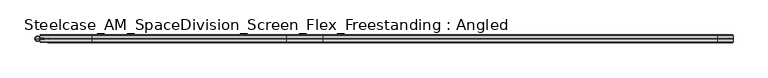
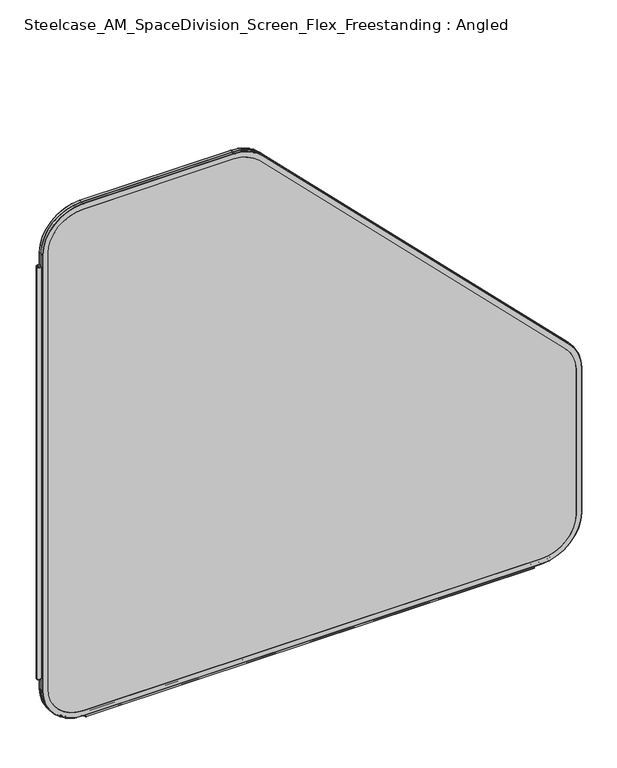
"""IFC4 building model written with IfcOpenShell, lengths in millimetres: furniture geometry, Steelcase_AM_SpaceDivision_Screen_Flex_Freestanding : Angled."""

from ifc_helpers import new_model, si_unit, point, frame, frame_2d, origin, place, context, project, spatial, polyline, circle_curve, ellipse_curve, trimmed, segment, composite_curve, outline, extrude, source, transform, mapped, element, save
from ifc_brep_helpers import plane_surface, cylinder_surface, revolved_surface, advanced_brep


def steelcase_am_spacedivision_screen_flex_freestanding_angled_91cacfda(model_context):
    return source(origin(), model_context, "Body", "SolidModel", [
        advanced_brep(
        [(98.0653521, 5.715, 4.9996464), (9.1653521, 5.715, 93.8996464), (9.9273521, 6.477, 93.8996464), (98.0653521, 6.477, 5.7616464), (98.0653521, 0.8129491, 4.9996464), (9.1653521, 0.8129491, 93.8996464), (98.0653521, -5.715, 4.9996464), (9.1653521, -5.715, 93.8996464), (9.1653521, -0.8129491, 93.8996464), (98.0653521, -0.8129491, 4.9996464), (98.0653521, -6.477, 5.7616464), (9.9273521, -6.477, 93.8996464), (98.0653521, 6.477, 17.6996464), (21.8653521, 6.477, 93.8996464), (21.8653521, -6.477, 93.8996464), (98.0653521, -6.477, 17.6996464), (1104.9, 6.477, 5.7616464), (1104.9, 5.715, 4.9996464), (1104.9, 0.8129491, 4.9996464), (1104.9, -0.8129491, 4.9996464), (1104.9, -5.715, 4.9996464), (1104.9, -6.477, 5.7616464), (1104.9, -6.477, 17.6996464), (1104.9, 6.477, 17.6996464), (1193.8, 5.715, 93.8996464), (1193.038, 6.477, 93.8996464), (1193.8, 0.8129491, 93.8996464), (1193.8, -5.715, 93.8996464), (1193.8, -0.8129491, 93.8996464), (1193.038, -6.477, 93.8996464), (1181.1, 6.477, 93.8996464), (1181.1, -6.477, 93.8996464), (1193.038, 6.477, 430.3749822), (1193.8, 5.715, 430.3749822), (1193.8, 0.8129491, 430.3749822), (1193.8, -0.8129491, 430.3749822), (1193.8, -5.715, 430.3749822), (1193.038, -6.477, 430.3749822), (1181.1, -6.477, 430.3749822), (1181.1, 6.477, 430.3749822), (1167.7617928, 5.715, 493.2367751), (1167.2229775, 6.477, 492.6979597), (1167.7617928, 0.8129491, 493.2367751), (1167.7617928, -5.715, 493.2367751), (1167.7617928, -0.8129491, 493.2367751), (1167.2229775, -6.477, 492.6979597), (1158.7815367, 6.477, 484.2565189), (1158.7815367, -6.477, 484.2565189), (492.6979597, 6.477, 1167.2229775), (493.2367751, 5.715, 1167.7617928), (493.2367751, 0.8129491, 1167.7617928), (493.2367751, -0.8129491, 1167.7617928), (493.2367751, -5.715, 1167.7617928), (492.6979597, -6.477, 1167.2229775), (484.2565189, -6.477, 1158.7815367), (484.2565189, 6.477, 1158.7815367), (430.3749822, 5.715, 1193.8), (430.3749822, 6.477, 1193.038), (430.3749822, 0.8129491, 1193.8), (430.3749822, -5.715, 1193.8), (430.3749822, -0.8129491, 1193.8), (430.3749822, -6.477, 1193.038), (430.3749822, 6.477, 1181.1), (430.3749822, -6.477, 1181.1), (98.0653521, 6.477, 1193.038), (98.0653521, 5.715, 1193.8), (98.0653521, 0.8129491, 1193.8), (98.0653521, -0.8129491, 1193.8), (98.0653521, -5.715, 1193.8), (98.0653521, -6.477, 1193.038), (98.0653521, -6.477, 1181.1), (98.0653521, 6.477, 1181.1), (9.1653521, 5.715, 1104.9), (9.9273521, 6.477, 1104.9), (9.1653521, 0.8129491, 1104.9), (9.1653521, -5.715, 1104.9), (9.1653521, -0.8129491, 1104.9), (9.9273521, -6.477, 1104.9), (21.8653521, 6.477, 1104.9), (21.8653521, -6.477, 1104.9), (98.0653521, 0.0, 5.5902885), (9.7559942, 0.0, 93.8996464), (1104.9, 0.0, 5.5902885), (1193.2093579, 0.0, 93.8996464), (1193.2093579, 0.0, 430.3749822), (1167.3441458, 0.0, 492.819128), (492.819128, 0.0, 1167.3441458), (430.3749822, 0.0, 1193.2093579), (98.0653521, 0.0, 1193.2093579), (9.7559942, 0.0, 1104.9)],
        [
            (0, 1, circle_curve(frame((98.0653521, 5.715, 93.8996464), z_axis=(0.0, 1.0, 0.0), x_axis=(-1.0, 0.0, 0.0)), 88.9)),
            (1, 2, circle_curve(frame((9.9273521, 5.715, 93.8996464), z_axis=(0.0, 0.0, -1.0), x_axis=(0.0, -1.0, 0.0)), 0.762)),
            (2, 3, circle_curve(frame((98.0653521, 6.477, 93.8996464), z_axis=(0.0, -1.0, 0.0), x_axis=(-1.0, 0.0, 0.0)), 88.138)),
            (3, 0, circle_curve(frame((98.0653521, 5.715, 5.7616464), z_axis=(-1.0, 0.0, 0.0), x_axis=(0.0, -1.0, 0.0)), 0.762)),
            (4, 5, circle_curve(frame((98.0653521, 0.8129491, 93.8996464), z_axis=(0.0, 1.0, 0.0), x_axis=(-1.0, 0.0, 0.0)), 88.9)),
            (5, 1),
            (0, 4),
            (6, 7, circle_curve(frame((98.0653521, -5.715, 93.8996464), z_axis=(0.0, 1.0, 0.0), x_axis=(-1.0, 0.0, 0.0)), 88.9)),
            (7, 8),
            (8, 9, circle_curve(frame((98.0653521, -0.8129491, 93.8996464), z_axis=(0.0, -1.0, 0.0), x_axis=(-1.0, 0.0, 0.0)), 88.9)),
            (9, 6),
            (10, 11, circle_curve(frame((98.0653521, -6.477, 93.8996464), z_axis=(0.0, 1.0, 0.0), x_axis=(-1.0, 0.0, 0.0)), 88.138)),
            (11, 7, circle_curve(frame((9.9273521, -5.715, 93.8996464), z_axis=(0.0, 0.0, -1.0), x_axis=(0.0, -1.0, 0.0)), 0.762)),
            (6, 10, circle_curve(frame((98.0653521, -5.715, 5.7616464), z_axis=(-1.0, 0.0, 0.0), x_axis=(0.0, -1.0, 0.0)), 0.762)),
            (12, 13, circle_curve(frame((98.0653521, 6.477, 93.8996464), z_axis=(0.0, 1.0, 0.0), x_axis=(-1.0, 0.0, 0.0)), 76.2)),
            (13, 14),
            (14, 15, circle_curve(frame((98.0653521, -6.477, 93.8996464), z_axis=(0.0, -1.0, 0.0), x_axis=(-1.0, 0.0, 0.0)), 76.2)),
            (15, 12),
            (3, 16),
            (16, 17, circle_curve(frame((1104.9, 5.715, 5.7616464), z_axis=(-1.0, 0.0, 0.0), x_axis=(0.0, -1.0, 0.0)), 0.762)),
            (17, 0),
            (17, 18),
            (18, 4),
            (9, 19),
            (19, 20),
            (20, 6),
            (20, 21, circle_curve(frame((1104.9, -5.715, 5.7616464), z_axis=(-1.0, 0.0, 0.0), x_axis=(0.0, -1.0, 0.0)), 0.762)),
            (21, 10),
            (15, 22),
            (22, 23),
            (23, 12),
            (24, 17, circle_curve(frame((1104.9, 5.715, 93.8996464), z_axis=(0.0, 1.0, 0.0), x_axis=(0.0, 0.0, -1.0)), 88.9)),
            (16, 25, circle_curve(frame((1104.9, 6.477, 93.8996464), z_axis=(0.0, -1.0, 0.0), x_axis=(0.0, 0.0, -1.0)), 88.138)),
            (25, 24, circle_curve(frame((1193.038, 5.715, 93.8996464), z_axis=(0.0, 0.0, -1.0), x_axis=(0.0, -1.0, 0.0)), 0.762)),
            (26, 18, circle_curve(frame((1104.9, 0.8129491, 93.8996464), z_axis=(0.0, 1.0, 0.0), x_axis=(0.0, 0.0, -1.0)), 88.9)),
            (24, 26),
            (27, 20, circle_curve(frame((1104.9, -5.715, 93.8996464), z_axis=(0.0, 1.0, 0.0), x_axis=(0.0, 0.0, -1.0)), 88.9)),
            (19, 28, circle_curve(frame((1104.9, -0.8129491, 93.8996464), z_axis=(0.0, -1.0, 0.0), x_axis=(0.0, 0.0, -1.0)), 88.9)),
            (28, 27),
            (29, 21, circle_curve(frame((1104.9, -6.477, 93.8996464), z_axis=(0.0, 1.0, 0.0), x_axis=(0.0, 0.0, -1.0)), 88.138)),
            (27, 29, circle_curve(frame((1193.038, -5.715, 93.8996464), z_axis=(0.0, 0.0, -1.0), x_axis=(0.0, -1.0, 0.0)), 0.762)),
            (30, 23, circle_curve(frame((1104.9, 6.477, 93.8996464), z_axis=(0.0, 1.0, 0.0), x_axis=(0.0, 0.0, -1.0)), 76.2)),
            (22, 31, circle_curve(frame((1104.9, -6.477, 93.8996464), z_axis=(0.0, -1.0, 0.0), x_axis=(0.0, 0.0, -1.0)), 76.2)),
            (31, 30),
            (25, 32),
            (32, 33, circle_curve(frame((1193.038, 5.715, 430.3749822), z_axis=(0.0, 0.0, -1.0), x_axis=(0.0, -1.0, 0.0)), 0.762)),
            (33, 24),
            (33, 34),
            (34, 26),
            (28, 35),
            (35, 36),
            (36, 27),
            (36, 37, circle_curve(frame((1193.038, -5.715, 430.3749822), z_axis=(0.0, 0.0, -1.0), x_axis=(0.0, -1.0, 0.0)), 0.762)),
            (37, 29),
            (31, 38),
            (38, 39),
            (39, 30),
            (40, 33, circle_curve(frame((1104.9, 5.715, 430.3749822), z_axis=(0.0, 1.0, 0.0), x_axis=(1.0, 0.0, 0.0)), 88.9)),
            (32, 41, circle_curve(frame((1104.9, 6.477, 430.3749822), z_axis=(0.0, -1.0, 0.0), x_axis=(1.0, 0.0, 0.0)), 88.138)),
            (41, 40, circle_curve(frame((1167.2229775, 5.715, 492.6979597), z_axis=(0.7071067811865454, 0.0, -0.7071067811865497), x_axis=(0.0, -1.0, 0.0)), 0.762)),
            (42, 34, circle_curve(frame((1104.9, 0.8129491, 430.3749822), z_axis=(0.0, 1.0, 0.0), x_axis=(1.0, 0.0, 0.0)), 88.9)),
            (40, 42),
            (43, 36, circle_curve(frame((1104.9, -5.715, 430.3749822), z_axis=(0.0, 1.0, 0.0), x_axis=(1.0, 0.0, 0.0)), 88.9)),
            (35, 44, circle_curve(frame((1104.9, -0.8129491, 430.3749822), z_axis=(0.0, -1.0, 0.0), x_axis=(1.0, 0.0, 0.0)), 88.9)),
            (44, 43),
            (45, 37, circle_curve(frame((1104.9, -6.477, 430.3749822), z_axis=(0.0, 1.0, 0.0), x_axis=(1.0, 0.0, 0.0)), 88.138)),
            (43, 45, circle_curve(frame((1167.2229775, -5.715, 492.6979597), z_axis=(0.7071067811865454, 0.0, -0.7071067811865497), x_axis=(0.0, -1.0, 0.0)), 0.762)),
            (46, 39, circle_curve(frame((1104.9, 6.477, 430.3749822), z_axis=(0.0, 1.0, 0.0), x_axis=(1.0, 0.0, 0.0)), 76.2)),
            (38, 47, circle_curve(frame((1104.9, -6.477, 430.3749822), z_axis=(0.0, -1.0, 0.0), x_axis=(1.0, 0.0, 0.0)), 76.2)),
            (47, 46),
            (41, 48),
            (48, 49, circle_curve(frame((492.6979597, 5.715, 1167.2229775), z_axis=(0.7071067811865461, 0.0, -0.7071067811865489), x_axis=(0.0, -1.0, 0.0)), 0.762)),
            (49, 40),
            (49, 50),
            (50, 42),
            (44, 51),
            (51, 52),
            (52, 43),
            (52, 53, circle_curve(frame((492.6979597, -5.715, 1167.2229775), z_axis=(0.7071067811865461, 0.0, -0.7071067811865489), x_axis=(0.0, -1.0, 0.0)), 0.762)),
            (53, 45),
            (47, 54),
            (54, 55),
            (55, 46),
            (56, 49, circle_curve(frame((430.3749822, 5.715, 1104.9), z_axis=(0.0, 1.0, 0.0), x_axis=(0.7071067811865528, 0.0, 0.7071067811865424)), 88.9)),
            (48, 57, circle_curve(frame((430.3749822, 6.477, 1104.9), z_axis=(0.0, -1.0, 0.0), x_axis=(0.7071067811865528, 0.0, 0.7071067811865424)), 88.138)),
            (57, 56, circle_curve(frame((430.3749822, 5.715, 1193.038), z_axis=(1.0, 0.0, 0.0), x_axis=(0.0, -1.0, 0.0)), 0.762)),
            (58, 50, circle_curve(frame((430.3749822, 0.8129491, 1104.9), z_axis=(0.0, 1.0, 0.0), x_axis=(0.7071067811865528, 0.0, 0.7071067811865424)), 88.9)),
            (56, 58),
            (59, 52, circle_curve(frame((430.3749822, -5.715, 1104.9), z_axis=(0.0, 1.0, 0.0), x_axis=(0.7071067811865528, 0.0, 0.7071067811865424)), 88.9)),
            (51, 60, circle_curve(frame((430.3749822, -0.8129491, 1104.9), z_axis=(0.0, -1.0, 0.0), x_axis=(0.7071067811865528, 0.0, 0.7071067811865424)), 88.9)),
            (60, 59),
            (61, 53, circle_curve(frame((430.3749822, -6.477, 1104.9), z_axis=(0.0, 1.0, 0.0), x_axis=(0.7071067811865528, 0.0, 0.7071067811865424)), 88.138)),
            (59, 61, circle_curve(frame((430.3749822, -5.715, 1193.038), z_axis=(1.0, 0.0, 0.0), x_axis=(0.0, -1.0, 0.0)), 0.762)),
            (62, 55, circle_curve(frame((430.3749822, 6.477, 1104.9), z_axis=(0.0, 1.0, 0.0), x_axis=(0.7071067811865528, 0.0, 0.7071067811865424)), 76.2)),
            (54, 63, circle_curve(frame((430.3749822, -6.477, 1104.9), z_axis=(0.0, -1.0, 0.0), x_axis=(0.7071067811865528, 0.0, 0.7071067811865424)), 76.2)),
            (63, 62),
            (57, 64),
            (64, 65, circle_curve(frame((98.0653521, 5.715, 1193.038), z_axis=(1.0, 0.0, 0.0), x_axis=(0.0, -1.0, 0.0)), 0.762)),
            (65, 56),
            (65, 66),
            (66, 58),
            (60, 67),
            (67, 68),
            (68, 59),
            (68, 69, circle_curve(frame((98.0653521, -5.715, 1193.038), z_axis=(1.0, 0.0, 0.0), x_axis=(0.0, -1.0, 0.0)), 0.762)),
            (69, 61),
            (63, 70),
            (70, 71),
            (71, 62),
            (72, 65, circle_curve(frame((98.0653521, 5.715, 1104.9), z_axis=(0.0, 1.0, 0.0), x_axis=(0.0, 0.0, 1.0)), 88.9)),
            (64, 73, circle_curve(frame((98.0653521, 6.477, 1104.9), z_axis=(0.0, -1.0, 0.0), x_axis=(0.0, 0.0, 1.0)), 88.138)),
            (73, 72, circle_curve(frame((9.9273521, 5.715, 1104.9), z_axis=(0.0, 0.0, 1.0), x_axis=(0.0, -1.0, 0.0)), 0.762)),
            (74, 66, circle_curve(frame((98.0653521, 0.8129491, 1104.9), z_axis=(0.0, 1.0, 0.0), x_axis=(0.0, 0.0, 1.0)), 88.9)),
            (72, 74),
            (75, 68, circle_curve(frame((98.0653521, -5.715, 1104.9), z_axis=(0.0, 1.0, 0.0), x_axis=(0.0, 0.0, 1.0)), 88.9)),
            (67, 76, circle_curve(frame((98.0653521, -0.8129491, 1104.9), z_axis=(0.0, -1.0, 0.0), x_axis=(0.0, 0.0, 1.0)), 88.9)),
            (76, 75),
            (77, 69, circle_curve(frame((98.0653521, -6.477, 1104.9), z_axis=(0.0, 1.0, 0.0), x_axis=(0.0, 0.0, 1.0)), 88.138)),
            (75, 77, circle_curve(frame((9.9273521, -5.715, 1104.9), z_axis=(0.0, 0.0, 1.0), x_axis=(0.0, -1.0, 0.0)), 0.762)),
            (78, 71, circle_curve(frame((98.0653521, 6.477, 1104.9), z_axis=(0.0, 1.0, 0.0), x_axis=(0.0, 0.0, 1.0)), 76.2)),
            (70, 79, circle_curve(frame((98.0653521, -6.477, 1104.9), z_axis=(0.0, -1.0, 0.0), x_axis=(0.0, 0.0, 1.0)), 76.2)),
            (79, 78),
            (2, 73),
            (78, 13),
            (1, 72),
            (5, 74),
            (76, 8),
            (7, 75),
            (11, 77),
            (14, 79),
            (80, 81, circle_curve(frame((98.0653521, 0.0, 93.8996464), z_axis=(0.0, 1.0, 0.0), x_axis=(-1.0, 0.0, 0.0)), 88.3093579)),
            (81, 5, circle_curve(frame((10.0201374, 0.8129491, 93.8996464), z_axis=(0.0, 0.0, -1.0), x_axis=(0.0, -1.0, 0.0)), 0.8547853)),
            (4, 80, circle_curve(frame((98.0653521, 0.8129491, 5.8544317), z_axis=(-1.0, 0.0, 0.0), x_axis=(0.0, -1.0, 0.0)), 0.8547853)),
            (8, 81, circle_curve(frame((10.0201374, -0.8129491, 93.8996464), z_axis=(0.0, 0.0, -1.0), x_axis=(0.0, -1.0, 0.0)), 0.8547853)),
            (80, 9, circle_curve(frame((98.0653521, -0.8129491, 5.8544317), z_axis=(-1.0, 0.0, 0.0), x_axis=(0.0, -1.0, 0.0)), 0.8547853)),
            (18, 82, circle_curve(frame((1104.9, 0.8129491, 5.8544317), z_axis=(-1.0, 0.0, 0.0), x_axis=(0.0, -1.0, 0.0)), 0.8547853)),
            (82, 80),
            (82, 19, circle_curve(frame((1104.9, -0.8129491, 5.8544317), z_axis=(-1.0, 0.0, 0.0), x_axis=(0.0, -1.0, 0.0)), 0.8547853)),
            (83, 82, circle_curve(frame((1104.9, 0.0, 93.8996464), z_axis=(0.0, 1.0, 0.0), x_axis=(0.0, 0.0, -1.0)), 88.3093579)),
            (26, 83, circle_curve(frame((1192.9452147, 0.8129491, 93.8996464), z_axis=(0.0, 0.0, -1.0), x_axis=(0.0, -1.0, 0.0)), 0.8547853)),
            (83, 28, circle_curve(frame((1192.9452147, -0.8129491, 93.8996464), z_axis=(0.0, 0.0, -1.0), x_axis=(0.0, -1.0, 0.0)), 0.8547853)),
            (34, 84, circle_curve(frame((1192.9452147, 0.8129491, 430.3749822), z_axis=(0.0, 0.0, -1.0), x_axis=(0.0, -1.0, 0.0)), 0.8547853)),
            (84, 83),
            (84, 35, circle_curve(frame((1192.9452147, -0.8129491, 430.3749822), z_axis=(0.0, 0.0, -1.0), x_axis=(0.0, -1.0, 0.0)), 0.8547853)),
            (85, 84, circle_curve(frame((1104.9, 0.0, 430.3749822), z_axis=(0.0, 1.0, 0.0), x_axis=(1.0, 0.0, 0.0)), 88.3093579)),
            (42, 85, circle_curve(frame((1167.1573684, 0.8129491, 492.6323506), z_axis=(0.7071067811865454, 0.0, -0.7071067811865497), x_axis=(0.0, -1.0, 0.0)), 0.8547853)),
            (85, 44, circle_curve(frame((1167.1573684, -0.8129491, 492.6323506), z_axis=(0.7071067811865454, 0.0, -0.7071067811865497), x_axis=(0.0, -1.0, 0.0)), 0.8547853)),
            (50, 86, circle_curve(frame((492.6323506, 0.8129491, 1167.1573684), z_axis=(0.7071067811865461, 0.0, -0.7071067811865489), x_axis=(0.0, -1.0, 0.0)), 0.8547853)),
            (86, 85),
            (86, 51, circle_curve(frame((492.6323506, -0.8129491, 1167.1573684), z_axis=(0.7071067811865461, 0.0, -0.7071067811865489), x_axis=(0.0, -1.0, 0.0)), 0.8547853)),
            (87, 86, circle_curve(frame((430.3749822, 0.0, 1104.9), z_axis=(0.0, 1.0, 0.0), x_axis=(0.7071067811865528, 0.0, 0.7071067811865424)), 88.3093579)),
            (58, 87, circle_curve(frame((430.3749822, 0.8129491, 1192.9452147), z_axis=(1.0, 0.0, 0.0), x_axis=(0.0, -1.0, 0.0)), 0.8547853)),
            (87, 60, circle_curve(frame((430.3749822, -0.8129491, 1192.9452147), z_axis=(1.0, 0.0, 0.0), x_axis=(0.0, -1.0, 0.0)), 0.8547853)),
            (66, 88, circle_curve(frame((98.0653521, 0.8129491, 1192.9452147), z_axis=(1.0, 0.0, 0.0), x_axis=(0.0, -1.0, 0.0)), 0.8547853)),
            (88, 87),
            (88, 67, circle_curve(frame((98.0653521, -0.8129491, 1192.9452147), z_axis=(1.0, 0.0, 0.0), x_axis=(0.0, -1.0, 0.0)), 0.8547853)),
            (89, 88, circle_curve(frame((98.0653521, 0.0, 1104.9), z_axis=(0.0, 1.0, 0.0), x_axis=(0.0, 0.0, 1.0)), 88.3093579)),
            (74, 89, circle_curve(frame((10.0201374, 0.8129491, 1104.9), z_axis=(0.0, 0.0, 1.0), x_axis=(0.0, -1.0, 0.0)), 0.8547853)),
            (89, 76, circle_curve(frame((10.0201374, -0.8129491, 1104.9), z_axis=(0.0, 0.0, 1.0), x_axis=(0.0, -1.0, 0.0)), 0.8547853)),
            (81, 89),
        ],
        [
            revolved_surface(trimmed(ellipse_curve(frame((9.9273521, 5.715, 93.8996464), z_axis=(0.0, 0.0, 1.0), x_axis=(0.0, -1.0, 0.0)), 0.762, 0.762), [point((9.9273521, 6.477, 93.8996464))], [point((9.1653521, 5.715, 93.8996464))], True, "CARTESIAN"), (98.0653521, 0.0, 93.8996464), (0.0, -1.0, 0.0)),
            cylinder_surface(frame((98.0653521, 0.0, 93.8996464), z_axis=(0.0, -1.0, 0.0), x_axis=(-1.0, 0.0, 0.0)), 88.9),
            revolved_surface(trimmed(ellipse_curve(frame((9.9273521, -5.715, 93.8996464), z_axis=(0.0, 0.0, 1.0), x_axis=(0.0, -1.0, 0.0)), 0.762, 0.762), [point((9.1653521, -5.715, 93.8996464))], [point((9.9273521, -6.477, 93.8996464))], True, "CARTESIAN"), (98.0653521, 0.0, 93.8996464), (0.0, -1.0, 0.0)),
            revolved_surface(polyline([(21.865352099999996, -6.477, 93.8996464), (21.865352099999996, 6.477, 93.8996464)]), (98.0653521, 0.0, 93.8996464), (0.0, -1.0, 0.0)),
            cylinder_surface(frame((98.0653521, 5.715, 5.7616464), z_axis=(-1.0, 0.0, 0.0), x_axis=(0.0, -1.0, 0.0)), 0.762),
            plane_surface(frame((98.0653521, 5.715, 4.9996464), z_axis=(0.0, 0.0, -1.0), x_axis=(1.0, 0.0, 0.0))),
            plane_surface(frame((98.0653521, -0.8129491, 4.9996464), z_axis=(0.0, 0.0, -1.0), x_axis=(1.0, 0.0, 0.0))),
            cylinder_surface(frame((98.0653521, -5.715, 5.7616464), z_axis=(-1.0, 0.0, 0.0), x_axis=(0.0, -1.0, 0.0)), 0.762),
            plane_surface(frame((98.0653521, -6.477, 17.6996464), z_axis=(0.0, 0.0, 1.0), x_axis=(1.0, 0.0, 0.0))),
            revolved_surface(trimmed(ellipse_curve(frame((1104.9, 5.715, 5.7616464), z_axis=(-1.0, 0.0, 0.0), x_axis=(0.0, -1.0, 0.0)), 0.762, 0.762), [point((1104.9, 6.477, 5.7616464))], [point((1104.9, 5.715, 4.9996464))], True, "CARTESIAN"), (1104.9, 0.0, 93.8996464), (0.0, -1.0, 0.0)),
            cylinder_surface(frame((1104.9, 0.0, 93.8996464), z_axis=(0.0, -1.0, 0.0), x_axis=(0.0, 0.0, -1.0)), 88.9),
            revolved_surface(trimmed(ellipse_curve(frame((1104.9, -5.715, 5.7616464), z_axis=(-1.0, 0.0, 0.0), x_axis=(0.0, -1.0, 0.0)), 0.762, 0.762), [point((1104.9, -5.715, 4.9996464))], [point((1104.9, -6.477, 5.7616464))], True, "CARTESIAN"), (1104.9, 0.0, 93.8996464), (0.0, -1.0, 0.0)),
            revolved_surface(polyline([(1104.9, -6.477, 17.699646399999992), (1104.9, 6.477, 17.699646399999992)]), (1104.9, 0.0, 93.8996464), (0.0, -1.0, 0.0)),
            cylinder_surface(frame((1193.038, 5.715, 93.8996464), z_axis=(0.0, 0.0, -1.0), x_axis=(0.0, -1.0, 0.0)), 0.762),
            plane_surface(frame((1193.8, 5.715, 93.8996464), z_axis=(1.0, 0.0, 0.0), x_axis=(0.0, 0.0, 1.0))),
            plane_surface(frame((1193.8, -0.8129491, 93.8996464), z_axis=(1.0, 0.0, 0.0), x_axis=(0.0, 0.0, 1.0))),
            cylinder_surface(frame((1193.038, -5.715, 93.8996464), z_axis=(0.0, 0.0, -1.0), x_axis=(0.0, -1.0, 0.0)), 0.762),
            plane_surface(frame((1181.1, -6.477, 93.8996464), z_axis=(-1.0, 0.0, 0.0), x_axis=(0.0, 0.0, 1.0))),
            revolved_surface(trimmed(ellipse_curve(frame((1193.038, 5.715, 430.3749822), z_axis=(0.0, 0.0, -1.0), x_axis=(0.0, -1.0, 0.0)), 0.762, 0.762), [point((1193.038, 6.477, 430.3749822))], [point((1193.8, 5.715, 430.3749822))], True, "CARTESIAN"), (1104.9, 0.0, 430.3749822), (0.0, -1.0, 0.0)),
            cylinder_surface(frame((1104.9, 0.0, 430.3749822), z_axis=(0.0, -1.0, 0.0), x_axis=(1.0, 0.0, 0.0)), 88.9),
            revolved_surface(trimmed(ellipse_curve(frame((1193.038, -5.715, 430.3749822), z_axis=(0.0, 0.0, -1.0), x_axis=(0.0, -1.0, 0.0)), 0.762, 0.762), [point((1193.8, -5.715, 430.3749822))], [point((1193.038, -6.477, 430.3749822))], True, "CARTESIAN"), (1104.9, 0.0, 430.3749822), (0.0, -1.0, 0.0)),
            revolved_surface(polyline([(1181.1000000000001, -6.477, 430.3749822), (1181.1000000000001, 6.477, 430.3749822)]), (1104.9, 0.0, 430.3749822), (0.0, -1.0, 0.0)),
            cylinder_surface(frame((1167.2229775, 5.715, 492.6979597), z_axis=(0.7071067811865461, 0.0, -0.7071067811865489), x_axis=(0.0, -1.0, 0.0)), 0.762),
            plane_surface(frame((1167.7617928, 5.715, 493.2367751), z_axis=(0.707106781186549, 0.0, 0.7071067811865461), x_axis=(-0.7071067811865461, 0.0, 0.707106781186549))),
            plane_surface(frame((1167.7617928, -0.8129491, 493.2367751), z_axis=(0.707106781186549, 0.0, 0.7071067811865461), x_axis=(-0.7071067811865461, 0.0, 0.707106781186549))),
            cylinder_surface(frame((1167.2229775, -5.715, 492.6979597), z_axis=(0.7071067811865461, 0.0, -0.7071067811865489), x_axis=(0.0, -1.0, 0.0)), 0.762),
            plane_surface(frame((1158.7815367, -6.477, 484.2565189), z_axis=(-0.707106781186549, 0.0, -0.7071067811865461), x_axis=(-0.7071067811865461, 0.0, 0.707106781186549))),
            revolved_surface(trimmed(ellipse_curve(frame((492.6979597, 5.715, 1167.2229775), z_axis=(0.7071067811865425, 0.0, -0.7071067811865527), x_axis=(0.0, -1.0, 0.0)), 0.762, 0.762), [point((492.6979597, 6.477, 1167.2229775))], [point((493.2367751, 5.715, 1167.7617928))], True, "CARTESIAN"), (430.3749822, 0.0, 1104.9), (0.0, -1.0, 0.0)),
            cylinder_surface(frame((430.3749822, 0.0, 1104.9), z_axis=(0.0, -1.0, 0.0), x_axis=(0.7071067811865528, 0.0, 0.7071067811865424)), 88.9),
            revolved_surface(trimmed(ellipse_curve(frame((492.6979597, -5.715, 1167.2229775), z_axis=(0.7071067811865425, 0.0, -0.7071067811865527), x_axis=(0.0, -1.0, 0.0)), 0.762, 0.762), [point((493.2367751, -5.715, 1167.7617928))], [point((492.6979597, -6.477, 1167.2229775))], True, "CARTESIAN"), (430.3749822, 0.0, 1104.9), (0.0, -1.0, 0.0)),
            revolved_surface(polyline([(484.2565189264153, -6.477, 1158.7815367264145), (484.2565189264153, 6.477, 1158.7815367264145)]), (430.3749822, 0.0, 1104.9), (0.0, -1.0, 0.0)),
            cylinder_surface(frame((430.3749822, 5.715, 1193.038), z_axis=(1.0, 0.0, 0.0), x_axis=(0.0, -1.0, 0.0)), 0.762),
            plane_surface(frame((430.3749822, 5.715, 1193.8), z_axis=(0.0, 0.0, 1.0), x_axis=(-1.0, 0.0, 0.0))),
            plane_surface(frame((430.3749822, -0.8129491, 1193.8), z_axis=(0.0, 0.0, 1.0), x_axis=(-1.0, 0.0, 0.0))),
            cylinder_surface(frame((430.3749822, -5.715, 1193.038), z_axis=(1.0, 0.0, 0.0), x_axis=(0.0, -1.0, 0.0)), 0.762),
            plane_surface(frame((430.3749822, -6.477, 1181.1), z_axis=(0.0, 0.0, -1.0), x_axis=(-1.0, 0.0, 0.0))),
            revolved_surface(trimmed(ellipse_curve(frame((98.0653521, 5.715, 1193.038), z_axis=(1.0, 0.0, 0.0), x_axis=(0.0, -1.0, 0.0)), 0.762, 0.762), [point((98.0653521, 6.477, 1193.038))], [point((98.0653521, 5.715, 1193.8))], True, "CARTESIAN"), (98.0653521, 0.0, 1104.9), (0.0, -1.0, 0.0)),
            cylinder_surface(frame((98.0653521, 0.0, 1104.9), z_axis=(0.0, -1.0, 0.0), x_axis=(0.0, 0.0, 1.0)), 88.9),
            revolved_surface(trimmed(ellipse_curve(frame((98.0653521, -5.715, 1193.038), z_axis=(1.0, 0.0, 0.0), x_axis=(0.0, -1.0, 0.0)), 0.762, 0.762), [point((98.0653521, -5.715, 1193.8))], [point((98.0653521, -6.477, 1193.038))], True, "CARTESIAN"), (98.0653521, 0.0, 1104.9), (0.0, -1.0, 0.0)),
            revolved_surface(polyline([(98.0653521, -6.477, 1181.1000000000001), (98.0653521, 6.477, 1181.1000000000001)]), (98.0653521, 0.0, 1104.9), (0.0, -1.0, 0.0)),
            plane_surface(frame((21.8653521, 6.477, 1104.9), z_axis=(0.0, 1.0, 0.0), x_axis=(0.0, 0.0, -1.0))),
            cylinder_surface(frame((9.9273521, 5.715, 1104.9), z_axis=(0.0, 0.0, 1.0), x_axis=(0.0, -1.0, 0.0)), 0.762),
            plane_surface(frame((9.1653521, 5.715, 1104.9), z_axis=(-1.0, 0.0, 0.0), x_axis=(0.0, 0.0, -1.0))),
            plane_surface(frame((9.1653521, -0.8129491, 1104.9), z_axis=(-1.0, 0.0, 0.0), x_axis=(0.0, 0.0, -1.0))),
            cylinder_surface(frame((9.9273521, -5.715, 1104.9), z_axis=(0.0, 0.0, 1.0), x_axis=(0.0, -1.0, 0.0)), 0.762),
            plane_surface(frame((9.9273521, -6.477, 1104.9), z_axis=(0.0, -1.0, 0.0), x_axis=(0.0, 0.0, -1.0))),
            plane_surface(frame((21.8653521, -6.477, 1104.9), z_axis=(1.0, 0.0, 0.0), x_axis=(0.0, 0.0, -1.0))),
            revolved_surface(trimmed(ellipse_curve(frame((10.0201374, 0.8129491, 93.8996464), z_axis=(0.0, 0.0, 1.0), x_axis=(0.0, -1.0, 0.0)), 0.8547853, 0.8547853), [point((9.1653521, 0.8129491, 93.8996464))], [point((9.7559942, 0.0, 93.8996464))], True, "CARTESIAN"), (98.0653521, 0.0, 93.8996464), (0.0, -1.0, 0.0)),
            revolved_surface(trimmed(ellipse_curve(frame((10.0201374, -0.8129491, 93.8996464), z_axis=(0.0, 0.0, 1.0), x_axis=(0.0, -1.0, 0.0)), 0.8547853, 0.8547853), [point((9.7559942, 0.0, 93.8996464))], [point((9.1653521, -0.8129491, 93.8996464))], True, "CARTESIAN"), (98.0653521, 0.0, 93.8996464), (0.0, -1.0, 0.0)),
            cylinder_surface(frame((98.0653521, 0.8129491, 5.8544317), z_axis=(-1.0, 0.0, 0.0), x_axis=(0.0, -1.0, 0.0)), 0.8547853),
            cylinder_surface(frame((98.0653521, -0.8129491, 5.8544317), z_axis=(-1.0, 0.0, 0.0), x_axis=(0.0, -1.0, 0.0)), 0.8547853),
            revolved_surface(trimmed(ellipse_curve(frame((1104.9, 0.8129491, 5.8544317), z_axis=(-1.0, 0.0, 0.0), x_axis=(0.0, -1.0, 0.0)), 0.8547853, 0.8547853), [point((1104.9, 0.8129491, 4.9996464))], [point((1104.9, 0.0, 5.5902885))], True, "CARTESIAN"), (1104.9, 0.0, 93.8996464), (0.0, -1.0, 0.0)),
            revolved_surface(trimmed(ellipse_curve(frame((1104.9, -0.8129491, 5.8544317), z_axis=(-1.0, 0.0, 0.0), x_axis=(0.0, -1.0, 0.0)), 0.8547853, 0.8547853), [point((1104.9, 0.0, 5.5902885))], [point((1104.9, -0.8129491, 4.9996464))], True, "CARTESIAN"), (1104.9, 0.0, 93.8996464), (0.0, -1.0, 0.0)),
            cylinder_surface(frame((1192.9452147, 0.8129491, 93.8996464), z_axis=(0.0, 0.0, -1.0), x_axis=(0.0, -1.0, 0.0)), 0.8547853),
            cylinder_surface(frame((1192.9452147, -0.8129491, 93.8996464), z_axis=(0.0, 0.0, -1.0), x_axis=(0.0, -1.0, 0.0)), 0.8547853),
            revolved_surface(trimmed(ellipse_curve(frame((1192.9452147, 0.8129491, 430.3749822), z_axis=(0.0, 0.0, -1.0), x_axis=(0.0, -1.0, 0.0)), 0.8547853, 0.8547853), [point((1193.8, 0.8129491, 430.3749822))], [point((1193.2093579, 0.0, 430.3749822))], True, "CARTESIAN"), (1104.9, 0.0, 430.3749822), (0.0, -1.0, 0.0)),
            revolved_surface(trimmed(ellipse_curve(frame((1192.9452147, -0.8129491, 430.3749822), z_axis=(0.0, 0.0, -1.0), x_axis=(0.0, -1.0, 0.0)), 0.8547853, 0.8547853), [point((1193.2093579, 0.0, 430.3749822))], [point((1193.8, -0.8129491, 430.3749822))], True, "CARTESIAN"), (1104.9, 0.0, 430.3749822), (0.0, -1.0, 0.0)),
            cylinder_surface(frame((1167.1573684, 0.8129491, 492.6323506), z_axis=(0.7071067811865461, 0.0, -0.7071067811865489), x_axis=(0.0, -1.0, 0.0)), 0.8547853),
            cylinder_surface(frame((1167.1573684, -0.8129491, 492.6323506), z_axis=(0.7071067811865461, 0.0, -0.7071067811865489), x_axis=(0.0, -1.0, 0.0)), 0.8547853),
            revolved_surface(trimmed(ellipse_curve(frame((492.6323506, 0.8129491, 1167.1573684), z_axis=(0.7071067811865425, 0.0, -0.7071067811865527), x_axis=(0.0, -1.0, 0.0)), 0.8547853, 0.8547853), [point((493.2367751, 0.8129491, 1167.7617928))], [point((492.819128, 0.0, 1167.3441458))], True, "CARTESIAN"), (430.3749822, 0.0, 1104.9), (0.0, -1.0, 0.0)),
            revolved_surface(trimmed(ellipse_curve(frame((492.6323506, -0.8129491, 1167.1573684), z_axis=(0.7071067811865425, 0.0, -0.7071067811865527), x_axis=(0.0, -1.0, 0.0)), 0.8547853, 0.8547853), [point((492.819128, 0.0, 1167.3441458))], [point((493.2367751, -0.8129491, 1167.7617928))], True, "CARTESIAN"), (430.3749822, 0.0, 1104.9), (0.0, -1.0, 0.0)),
            cylinder_surface(frame((430.3749822, 0.8129491, 1192.9452147), z_axis=(1.0, 0.0, 0.0), x_axis=(0.0, -1.0, 0.0)), 0.8547853),
            cylinder_surface(frame((430.3749822, -0.8129491, 1192.9452147), z_axis=(1.0, 0.0, 0.0), x_axis=(0.0, -1.0, 0.0)), 0.8547853),
            revolved_surface(trimmed(ellipse_curve(frame((98.0653521, 0.8129491, 1192.9452147), z_axis=(1.0, 0.0, 0.0), x_axis=(0.0, -1.0, 0.0)), 0.8547853, 0.8547853), [point((98.0653521, 0.8129491, 1193.8))], [point((98.0653521, 0.0, 1193.2093579))], True, "CARTESIAN"), (98.0653521, 0.0, 1104.9), (0.0, -1.0, 0.0)),
            revolved_surface(trimmed(ellipse_curve(frame((98.0653521, -0.8129491, 1192.9452147), z_axis=(1.0, 0.0, 0.0), x_axis=(0.0, -1.0, 0.0)), 0.8547853, 0.8547853), [point((98.0653521, 0.0, 1193.2093579))], [point((98.0653521, -0.8129491, 1193.8))], True, "CARTESIAN"), (98.0653521, 0.0, 1104.9), (0.0, -1.0, 0.0)),
            cylinder_surface(frame((10.0201374, 0.8129491, 1104.9), z_axis=(0.0, 0.0, 1.0), x_axis=(0.0, -1.0, 0.0)), 0.8547853),
            cylinder_surface(frame((10.0201374, -0.8129491, 1104.9), z_axis=(0.0, 0.0, 1.0), x_axis=(0.0, -1.0, 0.0)), 0.8547853),
        ],
        [
            (0, [[1, 2, 3, 4]]),
            (1, [[5, 6, -1, 7]]),
            (1, [[8, 9, 10, 11]]),
            (2, [[12, 13, -8, 14]]),
            (3, [[15, 16, 17, 18]]),
            (4, [[-4, 19, 20, 21]]),
            (5, [[-7, -21, 22, 23]]),
            (6, [[-11, 24, 25, 26]]),
            (7, [[-14, -26, 27, 28]]),
            (8, [[-18, 29, 30, 31]]),
            (9, [[32, -20, 33, 34]]),
            (10, [[35, -22, -32, 36]]),
            (10, [[37, -25, 38, 39]]),
            (11, [[40, -27, -37, 41]]),
            (12, [[42, -30, 43, 44]]),
            (13, [[-34, 45, 46, 47]]),
            (14, [[-36, -47, 48, 49]]),
            (15, [[-39, 50, 51, 52]]),
            (16, [[-41, -52, 53, 54]]),
            (17, [[-44, 55, 56, 57]]),
            (18, [[58, -46, 59, 60]]),
            (19, [[61, -48, -58, 62]]),
            (19, [[63, -51, 64, 65]]),
            (20, [[66, -53, -63, 67]]),
            (21, [[68, -56, 69, 70]]),
            (22, [[-60, 71, 72, 73]]),
            (23, [[-62, -73, 74, 75]]),
            (24, [[-65, 76, 77, 78]]),
            (25, [[-67, -78, 79, 80]]),
            (26, [[-70, 81, 82, 83]]),
            (27, [[84, -72, 85, 86]]),
            (28, [[87, -74, -84, 88]]),
            (28, [[89, -77, 90, 91]]),
            (29, [[92, -79, -89, 93]]),
            (30, [[94, -82, 95, 96]]),
            (31, [[-86, 97, 98, 99]]),
            (32, [[-88, -99, 100, 101]]),
            (33, [[-91, 102, 103, 104]]),
            (34, [[-93, -104, 105, 106]]),
            (35, [[-96, 107, 108, 109]]),
            (36, [[110, -98, 111, 112]]),
            (37, [[113, -100, -110, 114]]),
            (37, [[115, -103, 116, 117]]),
            (38, [[118, -105, -115, 119]]),
            (39, [[120, -108, 121, 122]]),
            (40, [[123, -111, -97, -85, -71, -59, -45, -33, -19, -3], [-109, -120, 124, -15, -31, -42, -57, -68, -83, -94]]),
            (41, [[-112, -123, -2, 125]]),
            (42, [[-114, -125, -6, 126]]),
            (43, [[-117, 127, -9, 128]]),
            (44, [[-119, -128, -13, 129]]),
            (45, [[-106, -118, -129, -12, -28, -40, -54, -66, -80, -92], [130, -121, -107, -95, -81, -69, -55, -43, -29, -17]]),
            (46, [[-122, -130, -16, -124]]),
            (47, [[131, 132, -5, 133]]),
            (48, [[-10, 134, -131, 135]]),
            (49, [[-133, -23, 136, 137]]),
            (50, [[-135, -137, 138, -24]]),
            (51, [[139, -136, -35, 140]]),
            (52, [[-38, -138, -139, 141]]),
            (53, [[-140, -49, 142, 143]]),
            (54, [[-141, -143, 144, -50]]),
            (55, [[145, -142, -61, 146]]),
            (56, [[-64, -144, -145, 147]]),
            (57, [[-146, -75, 148, 149]]),
            (58, [[-147, -149, 150, -76]]),
            (59, [[151, -148, -87, 152]]),
            (60, [[-90, -150, -151, 153]]),
            (61, [[-152, -101, 154, 155]]),
            (62, [[-153, -155, 156, -102]]),
            (63, [[157, -154, -113, 158]]),
            (64, [[-116, -156, -157, 159]]),
            (65, [[-158, -126, -132, 160]]),
            (66, [[-159, -160, -134, -127]]),
        ],
    ),
        advanced_brep(
        [(7.9329041, 0.0, 120.65), (1.232448, 0.0, 120.65), (0.0, 0.0, 121.882448), (9.1653521, 0.0, 121.882448), (4.582676, 0.0, 120.65), (7.8953521, 0.0, 1078.23), (1.27, 0.0, 1078.23), (4.582676, 0.0, 1078.23), (9.1653521, 0.0, 1076.96), (0.0, 0.0, 1076.96)],
        [
            (0, 1, circle_curve(frame((4.582676, 0.0, 120.65), z_axis=(0.0, 0.0, 1.0), x_axis=(-1.0, 0.0, 0.0)), 3.3502281)),
            (1, 2, circle_curve(frame((1.232448, 0.0, 121.882448), z_axis=(0.0, 1.0, 0.0), x_axis=(1.0, 0.0, 0.0)), 1.232448)),
            (2, 3, circle_curve(frame((4.582676, 0.0, 121.882448), z_axis=(0.0, 0.0, -1.0), x_axis=(-1.0, 0.0, 0.0)), 4.582676)),
            (3, 0, circle_curve(frame((7.9329041, 0.0, 121.882448), z_axis=(0.0, 1.0, 0.0), x_axis=(-1.0, 0.0, 0.0)), 1.232448)),
            (1, 0, circle_curve(frame((4.582676, 0.0, 120.65), z_axis=(0.0, 0.0, 1.0), x_axis=(-1.0, 0.0, 0.0)), 3.3502281)),
            (3, 2, circle_curve(frame((4.582676, 0.0, 121.882448), z_axis=(0.0, 0.0, -1.0), x_axis=(-1.0, 0.0, 0.0)), 4.582676)),
            (4, 1),
            (0, 4),
            (5, 6, circle_curve(frame((4.582676, 0.0, 1078.23), z_axis=(0.0, 0.0, 1.0), x_axis=(-1.0, 0.0, 0.0)), 3.312676)),
            (6, 7),
            (7, 5),
            (6, 5, circle_curve(frame((4.582676, 0.0, 1078.23), z_axis=(0.0, 0.0, 1.0), x_axis=(-1.0, 0.0, 0.0)), 3.312676)),
            (8, 9, circle_curve(frame((4.582676, 0.0, 1076.96), z_axis=(0.0, 0.0, 1.0), x_axis=(-1.0, 0.0, 0.0)), 4.582676)),
            (9, 6, circle_curve(frame((1.27, 0.0, 1076.96), z_axis=(0.0, 1.0, 0.0), x_axis=(1.0, 0.0, 0.0)), 1.27)),
            (5, 8, circle_curve(frame((7.8953521, 0.0, 1076.96), z_axis=(0.0, 1.0, 0.0), x_axis=(-1.0, 0.0, 0.0)), 1.27)),
            (9, 8, circle_curve(frame((4.582676, 0.0, 1076.96), z_axis=(0.0, 0.0, 1.0), x_axis=(-1.0, 0.0, 0.0)), 4.582676)),
            (2, 9),
            (8, 3),
        ],
        [
            revolved_surface(trimmed(ellipse_curve(frame((1.232448, 0.0, 121.882448), z_axis=(0.0, -1.0, 0.0), x_axis=(1.0, 0.0, 0.0)), 1.232448, 1.232448), [point((0.0, 0.0, 121.882448))], [point((1.232448, 0.0, 120.65))], True, "CARTESIAN"), (4.582676, 0.0, 110.6453157), (0.0, 0.0, -1.0)),
            plane_surface(frame((4.582676, 0.0, 120.65), z_axis=(0.0, 0.0, -1.0), x_axis=(-1.0, 0.0, 0.0))),
            plane_surface(frame((4.582676, 0.0, 1078.23), z_axis=(0.0, 0.0, 1.0), x_axis=(-1.0, 0.0, 0.0))),
            revolved_surface(trimmed(ellipse_curve(frame((1.27, 0.0, 1076.96), z_axis=(0.0, -1.0, 0.0), x_axis=(1.0, 0.0, 0.0)), 1.27, 1.27), [point((1.27, 0.0, 1078.23))], [point((0.0, 0.0, 1076.96))], True, "CARTESIAN"), (4.582676, 0.0, 110.6453157), (0.0, 0.0, -1.0)),
            cylinder_surface(frame((4.582676, 0.0, 110.6453157), z_axis=(0.0, 0.0, -1.0), x_axis=(-1.0, 0.0, 0.0)), 4.582676),
        ],
        [
            (0, [[1, 2, 3, 4]]),
            (0, [[5, -4, 6, -2]]),
            (1, [[7, -1, 8]]),
            (1, [[-8, -5, -7]]),
            (2, [[9, 10, 11]]),
            (2, [[12, -11, -10]]),
            (3, [[13, 14, -9, 15]]),
            (3, [[16, -15, -12, -14]]),
            (4, [[-3, 17, -13, 18]]),
            (4, [[-6, -18, -16, -17]]),
        ],
    ),
        extrude(outline(composite_curve([segment(trimmed(circle_curve(frame_2d((3.5, 2.4751953)), 2.5), [point((3.5, 4.9751953))], [point((1.4656663, 1.0220998))], False, "CARTESIAN"), True, "CONTINUOUS"), segment(trimmed(circle_curve(frame_2d((0.0, -0.0248047)), 1.8011626), [point((1.4656663, 1.0220998))], [point((-1.4656663, 1.0220998))], True, "CARTESIAN"), True, "CONTINUOUS"), segment(trimmed(circle_curve(frame_2d((-3.5, 2.4751953)), 2.5), [point((-1.4656663, 1.0220998))], [point((-3.5, 4.9751953))], False, "CARTESIAN"), True, "CONTINUOUS"), segment(trimmed(circle_curve(frame_2d((-3.5, 4.4751953)), 0.5), [point((-3.5, 4.9751953))], [point((-3.5, 3.9751953))], False, "CARTESIAN"), True, "CONTINUOUS"), segment(trimmed(circle_curve(frame_2d((-3.5, 2.4751953)), 1.5), [point((-3.5, 3.9751953))], [point((-2.3025096, 1.5718589))], True, "CARTESIAN"), True, "CONTINUOUS"), segment(trimmed(circle_curve(frame_2d((-10.3325937, 7.629417)), 10.0586411), [point((-2.3025096, 1.5718589))], [point((-0.714976, 4.6836248))], True, "CARTESIAN"), True, "CONTINUOUS"), segment(trimmed(circle_curve(frame_2d((0.0, 4.4646339)), 0.7477618), [point((-0.714976, 4.6836248))], [point((0.714976, 4.6836248))], False, "CARTESIAN"), True, "CONTINUOUS"), segment(trimmed(circle_curve(frame_2d((10.3325937, 7.629417)), 10.0586411), [point((0.714976, 4.6836248))], [point((2.3025096, 1.5718589))], True, "CARTESIAN"), True, "CONTINUOUS"), segment(trimmed(circle_curve(frame_2d((3.5, 2.4751953)), 1.5), [point((2.3025096, 1.5718589))], [point((3.5, 3.9751953))], True, "CARTESIAN"), True, "CONTINUOUS"), segment(trimmed(circle_curve(frame_2d((3.5, 4.4751953)), 0.5), [point((3.5, 3.9751953))], [point((3.5, 4.9751953))], False, "CARTESIAN"), True, "CONTINUOUS")], self_intersect=False)), frame((104.1640108, 0.0, 0.0), z_axis=(1.0, 0.0, 0.0), x_axis=(0.0, 1.0, 0.0)), (0.0, 0.0, 1.0), 985.4719784),
        extrude(outline(composite_curve([segment(trimmed(circle_curve(frame_2d((1104.9, 430.3749822)), 76.2), [point((1158.7815367, 484.2565189))], [point((1181.1, 430.3749822))], False, "CARTESIAN"), True, "CONTINUOUS"), segment(polyline([(1181.1, 430.3749822), (1181.1, 98.0653521)]), True, "CONTINUOUS"), segment(trimmed(circle_curve(frame_2d((1104.9, 98.0653521)), 76.2), [point((1181.1, 98.0653521))], [point((1104.9, 21.8653521))], False, "CARTESIAN"), True, "CONTINUOUS"), segment(polyline([(1104.9, 21.8653521), (93.8996464, 21.8653521)]), True, "CONTINUOUS"), segment(trimmed(circle_curve(frame_2d((93.8996464, 98.0653521)), 76.2), [point((93.8996464, 21.8653521))], [point((17.6996464, 98.0653521))], False, "CARTESIAN"), True, "CONTINUOUS"), segment(polyline([(17.6996464, 98.0653521), (17.6996464, 1104.9)]), True, "CONTINUOUS"), segment(trimmed(circle_curve(frame_2d((93.8996464, 1104.9)), 76.2), [point((17.6996464, 1104.9))], [point((93.8996464, 1181.1))], False, "CARTESIAN"), True, "CONTINUOUS"), segment(polyline([(93.8996464, 1181.1), (430.3749822, 1181.1)]), True, "CONTINUOUS"), segment(trimmed(circle_curve(frame_2d((430.3749822, 1104.9)), 76.2), [point((430.3749822, 1181.1))], [point((484.2565189, 1158.7815367))], False, "CARTESIAN"), True, "CONTINUOUS"), segment(polyline([(484.2565189, 1158.7815367), (1158.7815367, 484.2565189)]), True, "CONTINUOUS")], self_intersect=False)), frame((0.0, -6.477, 0.0), z_axis=(0.0, 1.0, 0.0), x_axis=(0.0, 0.0, 1.0)), (0.0, 0.0, 1.0), 12.954),
    ])


if __name__ == "__main__":
    model = new_model("IFC4")
    model_context = context("Model", 3, world=origin())
    ifc_project = project(units=[si_unit("LENGTHUNIT", "METRE", prefix="MILLI")], contexts=[model_context])
    site = spatial("IfcSite", under=ifc_project)
    building = spatial("IfcBuilding", under=site)
    placement = place(None, origin())
    steelcase_am_spacedivision_screen_flex_freestanding_angled_shape = steelcase_am_spacedivision_screen_flex_freestanding_angled_91cacfda(model_context)
    element("IfcFurniture", 1, ObjectType="Steelcase_AM_SpaceDivision_Screen_Flex_Freestanding : Angled", at=placement, inside=building, context=model_context, shape_type="MappedRepresentation", body=[
        mapped(steelcase_am_spacedivision_screen_flex_freestanding_angled_shape, transform((0.0, 0.0, 0.0), x_axis=(1.0, 0.0, 0.0), y_axis=(0.0, 1.0, 0.0), z_axis=(0.0, 0.0, 1.0))),
    ])
    save(model, "model.ifc")
